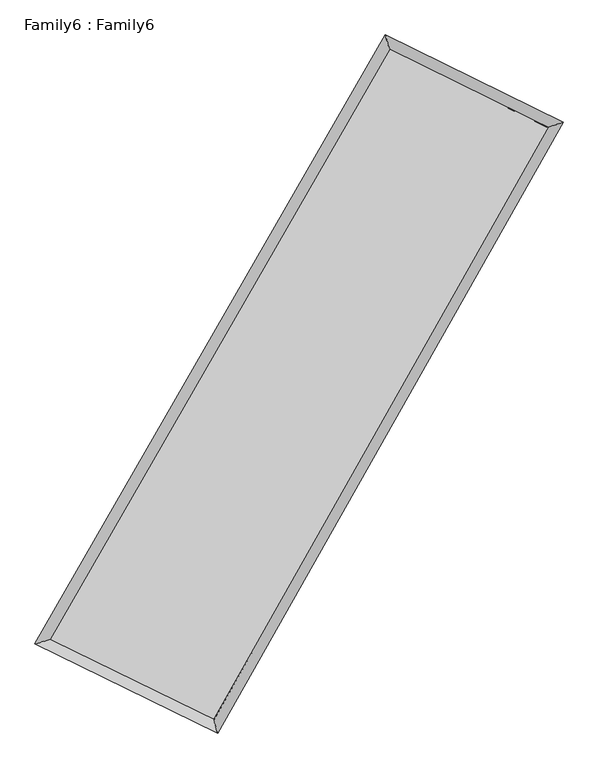
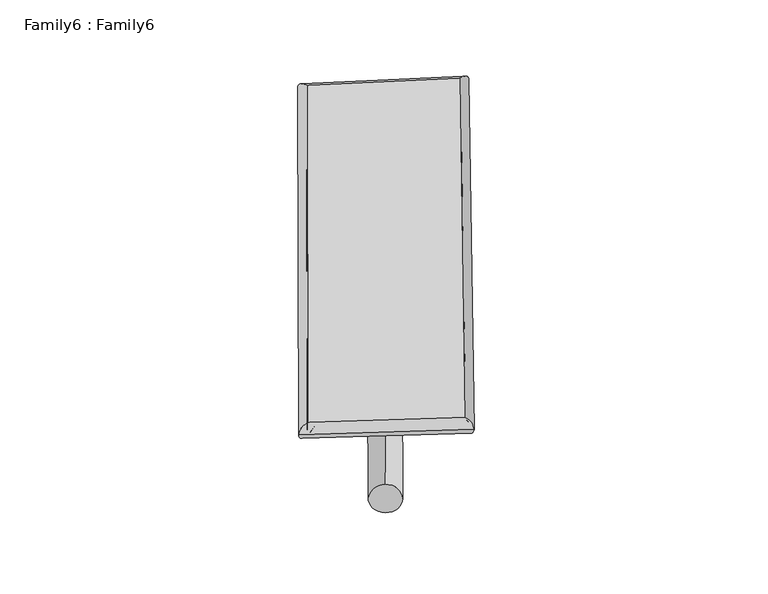
"""IFC4 building model written with IfcOpenShell, lengths in millimetres: plate geometry, Family6 : Family6."""

from ifc_helpers import new_model, si_unit, point, frame, origin, origin_2d, place, context, project, spatial, circle_curve, ellipse_curve, trimmed, segment, composite_curve, outline, extrude, source, transform, mapped, element, save
from ifc_brep_helpers import plane_surface, cylinder_surface, spline_surface, advanced_brep


def family6_family6_0a39b81f(model_context):
    return source(origin(), model_context, "Body", "SolidModel", [
        extrude(outline(composite_curve([segment(trimmed(circle_curve(origin_2d(), 76.2), [point((-75.4341515, -10.7763073))], [point((75.4341515, 10.7763073))], False, "CARTESIAN"), True, "CONTINUOUS"), segment(trimmed(circle_curve(origin_2d(), 76.2), [point((75.4341515, 10.7763073))], [point((-75.4341515, -10.7763073))], False, "CARTESIAN"), True, "CONTINUOUS")], self_intersect=False)), frame((9144.0, 9144.0, 0.0), z_axis=(0.6700217965810662, 0.6914043614954201, 0.27024211553973426), x_axis=(-0.6829371086265731, 0.7168026184744243, -0.14068017560760054)), (0.0, 0.0, 1.0), 5690.2511055),
        extrude(outline(composite_curve([segment(trimmed(circle_curve(origin_2d(), 76.2), [point((-53.8815367, 53.8815368))], [point((53.8815367, -53.8815368))], False, "CARTESIAN"), True, "CONTINUOUS"), segment(trimmed(circle_curve(origin_2d(), 76.2), [point((53.8815367, -53.8815368))], [point((-53.8815367, 53.8815368))], False, "CARTESIAN"), True, "CONTINUOUS")], self_intersect=False)), frame((9144.0, 9144.0, 0.0), z_axis=(-0.674643110866673, -0.6872271235486626, 0.2693985033721781), x_axis=(0.6390796794109131, -0.3611791385022184, 0.6790631732577167)), (0.0, 0.0, 1.0), 5707.6983086),
        extrude(outline(composite_curve([segment(trimmed(circle_curve(origin_2d(), 76.2), [point((-53.8815367, -53.8815367))], [point((53.8815367, 53.8815367))], False, "CARTESIAN"), True, "CONTINUOUS"), segment(trimmed(circle_curve(origin_2d(), 76.2), [point((53.8815367, 53.8815367))], [point((-53.8815367, -53.8815367))], False, "CARTESIAN"), True, "CONTINUOUS")], self_intersect=False)), frame((9144.0, 9144.0, 0.0), z_axis=(0.24667200566602218, 0.9299185877617592, 0.2727715926482767), x_axis=(-0.8449035126608602, 0.3442236609202741, -0.40944856277191166)), (0.0, 0.0, 1.0), 5528.1522756),
        extrude(outline(composite_curve([segment(trimmed(circle_curve(origin_2d(), 76.2), [point((-75.4341514, 10.7763074))], [point((75.4341514, -10.7763074))], False, "CARTESIAN"), True, "CONTINUOUS"), segment(trimmed(circle_curve(origin_2d(), 76.2), [point((75.4341514, -10.7763074))], [point((-75.4341514, 10.7763074))], False, "CARTESIAN"), True, "CONTINUOUS")], self_intersect=False)), frame((9144.0, 9144.0, 0.0), z_axis=(-0.240071505138188, -0.9316642216356843, 0.2727039613659097), x_axis=(0.8884650191272683, -0.09768208756868028, 0.4484284999366205)), (0.0, 0.0, 1.0), 5531.1929036),
        advanced_brep(
        [(5079.9185144, 5156.1171716, 1535.5328415), (5079.8911352, 5156.0809352, 1540.3253686), (5506.7628001, 5286.912647, 1539.7579226), (10568.4611417, 14084.8856933, 1510.9052977), (10446.8196772, 14484.5774208, 1504.9405035), (5506.7901792, 5286.9488834, 1534.9653954), (12744.5055625, 13012.8654142, 1537.4045094), (13168.6789749, 13143.6634505, 1538.086484), (7754.0661423, 4190.6220579, 1508.8943694), (7878.1702465, 3790.9488796, 1507.8620624)],
        [
            (0, 1, ellipse_curve(frame((5293.3406572, 5221.5149093, 1537.645382), z_axis=(-0.29302391185569204, 0.9560889754772749, 0.005555002394457138), x_axis=(-0.9560495520811668, -0.2930645735477361, 0.00907797866729858)), 223.2710793, 152.4)),
            (1, 2, ellipse_curve(frame((5293.3406572, 5221.5149093, 1537.645382), z_axis=(-0.29302391185569204, 0.9560889754772749, 0.005555002394457138), x_axis=(-0.9560495520811668, -0.2930645735477361, 0.00907797866729858)), 223.2710793, 152.4)),
            (2, 3),
            (3, 4, ellipse_curve(frame((10507.6404095, 14284.7315571, 1507.9229006), z_axis=(-0.9566387418622402, -0.29122437949289187, -0.005538804673422299), x_axis=(0.2911607817325343, -0.9566212117817289, 0.010062621435596816)), 208.9188997, 152.4)),
            (4, 0),
            (2, 5, ellipse_curve(frame((5293.3406572, 5221.5149093, 1537.645382), z_axis=(-0.29302391185569204, 0.9560889754772749, 0.005555002394457138), x_axis=(-0.9560495520811668, -0.2930645735477361, 0.00907797866729858)), 223.2710793, 152.4)),
            (5, 0, ellipse_curve(frame((5293.3406572, 5221.5149093, 1537.645382), z_axis=(-0.29302391185569204, 0.9560889754772749, 0.005555002394457138), x_axis=(-0.9560495520811668, -0.2930645735477361, 0.00907797866729858)), 223.2710793, 152.4)),
            (4, 3, ellipse_curve(frame((10507.6404095, 14284.7315571, 1507.9229006), z_axis=(-0.9566387418622402, -0.29122437949289187, -0.005538804673422299), x_axis=(0.2911607817325343, -0.9566212117817289, 0.010062621435596816)), 208.9188997, 152.4)),
            (3, 6),
            (6, 7, ellipse_curve(frame((12956.5922687, 13078.2644323, 1537.7454967), z_axis=(-0.2946546894861651, 0.9555855449204385, -0.005905954869466296), x_axis=(-0.9555431239998065, -0.29469999710524036, -0.009447215614227731)), 221.9490358, 152.4)),
            (7, 4),
            (7, 6, ellipse_curve(frame((12956.5922687, 13078.2644323, 1537.7454967), z_axis=(-0.2946546894861651, 0.9555855449204385, -0.005905954869466296), x_axis=(-0.9555431239998065, -0.29469999710524036, -0.009447215614227731)), 221.9490358, 152.4)),
            (6, 8),
            (8, 9, ellipse_curve(frame((7816.1181944, 3990.7854687, 1508.3782159), z_axis=(0.9550015307406134, 0.2965548139037743, -0.0052267230253116095), x_axis=(-0.2964968099767977, 0.9549849902151105, 0.009659717254022654)), 209.2543706, 152.4)),
            (9, 7),
            (9, 8, ellipse_curve(frame((7816.1181944, 3990.7854687, 1508.3782159), z_axis=(0.9550015307406134, 0.2965548139037743, -0.0052267230253116095), x_axis=(-0.2964968099767977, 0.9549849902151105, 0.009659717254022654)), 209.2543706, 152.4)),
            (8, 5),
            (1, 9),
        ],
        [
            cylinder_surface(frame((5293.3406572, 5221.5149093, 1537.645382), z_axis=(-0.4986811364151615, -0.8667808511660388, 0.0028425755154443894), x_axis=(-0.8666844639483126, 0.49857024590176946, -0.016904137128983813)), 152.4),
            cylinder_surface(frame((10507.6404095, 14284.7315571, 1507.9229006), z_axis=(-0.8969967505973615, 0.4419021494881761, -0.010923355505734943), x_axis=(0.4420006896607996, 0.8969662183139514, -0.00932703291225708)), 152.4),
            cylinder_surface(frame((12956.5922687, 13078.2644323, 1537.7454967), z_axis=(0.49235093173641975, 0.8703922381908821, 0.0028127771589981096), x_axis=(0.8703964681674531, -0.49235093173641975, -0.0007404187350237902)), 152.4),
            cylinder_surface(frame((7816.1181944, 3990.7854687, 1508.3782159), z_axis=(0.8987046800989131, -0.4384303775876731, -0.010426024009220632), x_axis=(-0.43838497944902366, -0.8987643521815383, 0.006422541644791218)), 152.4),
        ],
        [
            (0, [[1, 2, 3, 4, 5]]),
            (0, [[6, 7, -5, 8, -3]]),
            (1, [[-4, 9, 10, 11]]),
            (1, [[-8, -11, 12, -9]]),
            (2, [[-10, 13, 14, 15]]),
            (2, [[-12, -15, 16, -13]]),
            (3, [[-14, 17, -6, -2, 18]]),
            (3, [[-16, -18, -1, -7, -17]]),
        ],
    ),
        extrude(outline(composite_curve([segment(trimmed(circle_curve(origin_2d(), 304.8), [point((0.0, -304.8))], [point((0.0, 304.8))], False, "CARTESIAN"), True, "CONTINUOUS"), segment(trimmed(circle_curve(origin_2d(), 304.8), [point((0.0, 304.8))], [point((0.0, -304.8))], False, "CARTESIAN"), True, "CONTINUOUS")], self_intersect=False)), frame((6530.0874682, 4591.8108554, -0.0091936), z_axis=(0.4979561736751546, 0.8672021962009391, 1.7513932332143122e-06), x_axis=(-0.8672021962025818, 0.4979561736751546, 4.670715762794141e-07)), (0.0, 0.0, 1.0), 10498.5646128),
        advanced_brep(
        [(5293.3406572, 5221.5149093, 1537.645382), (7816.1181944, 3990.7854687, 1508.3782159), (7816.1256333, 3990.7844621, 1660.7782157), (5293.3480961, 5221.5139027, 1690.0453818), (12956.5922687, 13078.2644323, 1537.7454967), (12956.5997076, 13078.2634257, 1690.1454965), (10507.6404095, 14284.7315571, 1507.9229006), (10507.6478483, 14284.7305505, 1660.3229004)],
        [
            (0, 1),
            (1, 2),
            (2, 3),
            (3, 0),
            (1, 4),
            (4, 5),
            (5, 2),
            (4, 6),
            (6, 7),
            (7, 5),
            (6, 0),
            (3, 7),
        ],
        [
            plane_surface(frame((6554.7294258, 4606.150189, 1523.011799), z_axis=(-0.4384540636781196, -0.8987536001624519, 1.546530019008209e-05), x_axis=(0.8987046800989132, -0.43843037758767284, -0.010426024009220634))),
            plane_surface(frame((10386.3552316, 8534.5249505, 1523.0618563), z_axis=(0.8703957437898363, -0.4923527669269477, -4.573747333703397e-05), x_axis=(0.49235093173641975, 0.8703922381908821, 0.0028127771589981088))),
            plane_surface(frame((11732.1163391, 13681.4979947, 1522.8341987), z_axis=(0.4419286689312143, 0.8970501944327772, -1.564615249771261e-05), x_axis=(-0.8969967505973616, 0.4419021494881759, -0.010923355505734948))),
            plane_surface(frame((7900.4905333, 9753.1232332, 1522.7841413), z_axis=(-0.8667842875381331, 0.4986832630010528, 4.560300583028522e-05), x_axis=(-0.49868113641516143, -0.8667808511660385, 0.002842575515444387))),
            spline_surface(1, 1, [[(7816.1256333, 3990.7844621, 1660.7782157), (5293.3480961, 5221.5139027, 1690.0453818)], [(12956.5997076, 13078.2634257, 1690.1454965), (10507.6478483, 14284.7305505, 1660.3229004)]], [2, 2], [2, 2], [0.0, 1.0], [0.0, 1.0]),
            spline_surface(1, 1, [[(10507.6404095, 14284.7315571, 1507.9229006), (5293.3406572, 5221.5149093, 1537.645382)], [(12956.5922687, 13078.2644323, 1537.7454967), (7816.1181944, 3990.7854687, 1508.3782159)]], [2, 2], [2, 2], [0.0, 1.0], [0.0, 1.0]),
        ],
        [
            (0, [[1, 2, 3, 4]]),
            (1, [[5, 6, 7, -2]]),
            (2, [[8, 9, 10, -6]]),
            (3, [[11, -4, 12, -9]]),
            (4, [[-3, -7, -10, -12]]),
            (5, [[-11, -8, -5, -1]]),
        ],
    ),
    ])


if __name__ == "__main__":
    model = new_model("IFC4")
    model_context = context("Model", 3, world=origin())
    ifc_project = project(units=[si_unit("LENGTHUNIT", "METRE", prefix="MILLI")], contexts=[model_context])
    site = spatial("IfcSite", under=ifc_project)
    building = spatial("IfcBuilding", under=site)
    placement = place(None, origin())
    family6_family6_shape = family6_family6_0a39b81f(model_context)
    element("IfcPlate", 1, ObjectType="Family6 : Family6", at=placement, inside=building, context=model_context, shape_type="MappedRepresentation", body=[
        mapped(family6_family6_shape, transform((0.0, 0.0, 0.0), x_axis=(1.0, 0.0, 0.0), y_axis=(0.0, 1.0, 0.0), z_axis=(0.0, 0.0, 1.0))),
    ])
    save(model, "model.ifc")
